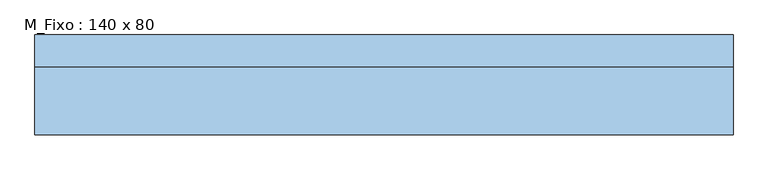
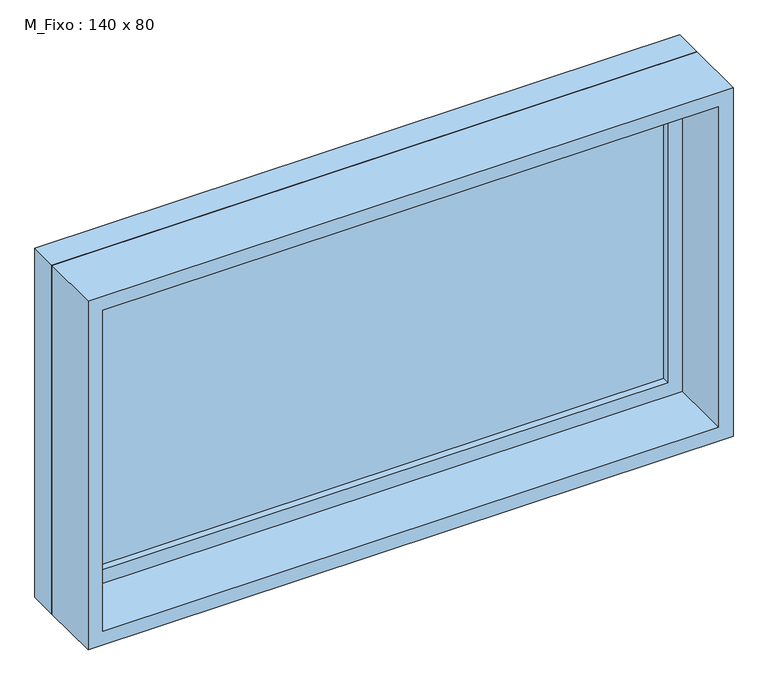
"""IFC4 building model written with IfcOpenShell, lengths in millimetres: window geometry, M_Fixo : 140 x 80."""

from ifc_helpers import new_model, si_unit, frame, origin, place, context, project, spatial, polyline, outline, extrude, source, transform, mapped, element, save


def m_fixo_140_x_80_bb59d5bd(model_context):
    return source(origin(), model_context, "Body", "SweptSolid", [
        extrude(outline(polyline([(-637.0, 77.0), (637.0, 77.0), (637.0, 65.0), (-637.0, 65.0), (-637.0, 77.0)])), frame((0.0, 0.0, 963.0), z_axis=(0.0, 0.0, 1.0), x_axis=(1.0, 0.0, 0.0)), (0.0, 0.0, 1.0), 674.0),
        extrude(outline(polyline([(1681.0, -681.0), (919.0, -681.0), (919.0, 681.0), (1681.0, 681.0), (1681.0, -681.0)]), holes=[polyline([(1637.0, -637.0), (1637.0, 637.0), (963.0, 637.0), (963.0, -637.0), (1637.0, -637.0)])]), frame((0.0, 49.0, 0.0), z_axis=(0.0, 1.0, 0.0), x_axis=(0.0, 0.0, 1.0)), (0.0, 0.0, 1.0), 44.0),
        extrude(outline(polyline([(1700.0, -700.0), (900.0, -700.0), (900.0, 700.0), (1700.0, 700.0), (1700.0, -700.0)]), holes=[polyline([(1681.0, -681.0), (1681.0, 681.0), (919.0, 681.0), (919.0, -681.0), (1681.0, -681.0)])]), frame((0.0, 49.0, 0.0), z_axis=(0.0, 1.0, 0.0), x_axis=(0.0, 0.0, 1.0)), (0.0, 0.0, 1.0), 64.0),
        extrude(outline(polyline([(1700.0, -700.0), (900.0, -700.0), (900.0, 700.0), (1700.0, 700.0), (1700.0, -700.0)]), holes=[polyline([(1668.0, -668.0), (1668.0, 668.0), (932.0, 668.0), (932.0, -668.0), (1668.0, -668.0)])]), frame((0.0, -87.0, 0.0), z_axis=(0.0, 1.0, 0.0), x_axis=(0.0, 0.0, 1.0)), (0.0, 0.0, 1.0), 136.0),
    ])


if __name__ == "__main__":
    model = new_model("IFC4")
    model_context = context("Model", 3, world=origin())
    ifc_project = project(units=[si_unit("LENGTHUNIT", "METRE", prefix="MILLI")], contexts=[model_context])
    site = spatial("IfcSite", under=ifc_project)
    building = spatial("IfcBuilding", under=site)
    placement = place(None, origin())
    m_fixo_140_x_80_shape = m_fixo_140_x_80_bb59d5bd(model_context)
    element("IfcWindow", 1, ObjectType="M_Fixo : 140 x 80", at=placement, inside=building, context=model_context, shape_type="MappedRepresentation", body=[
        mapped(m_fixo_140_x_80_shape, transform((0.0, 0.0, 0.0), x_axis=(1.0, 0.0, 0.0), y_axis=(0.0, 1.0, 0.0), z_axis=(0.0, 0.0, 1.0))),
    ])
    save(model, "model.ifc")
